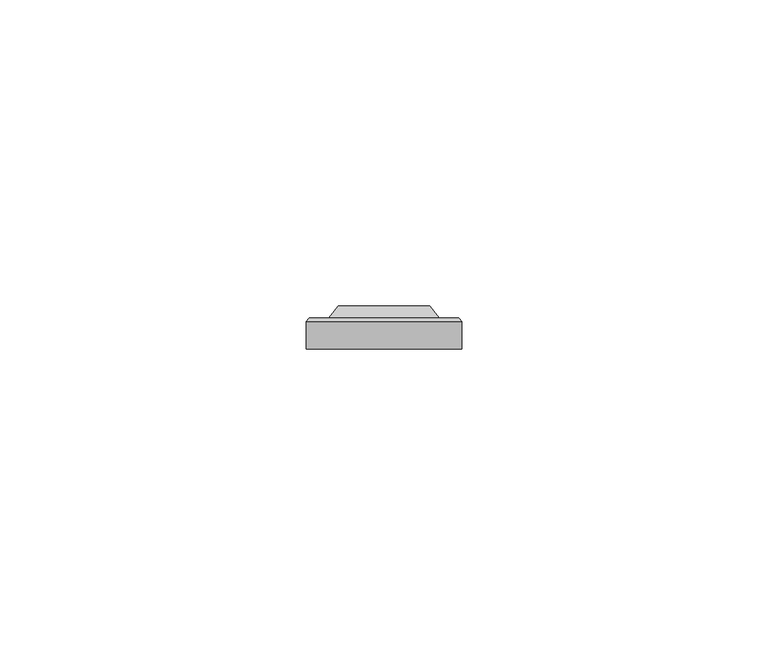
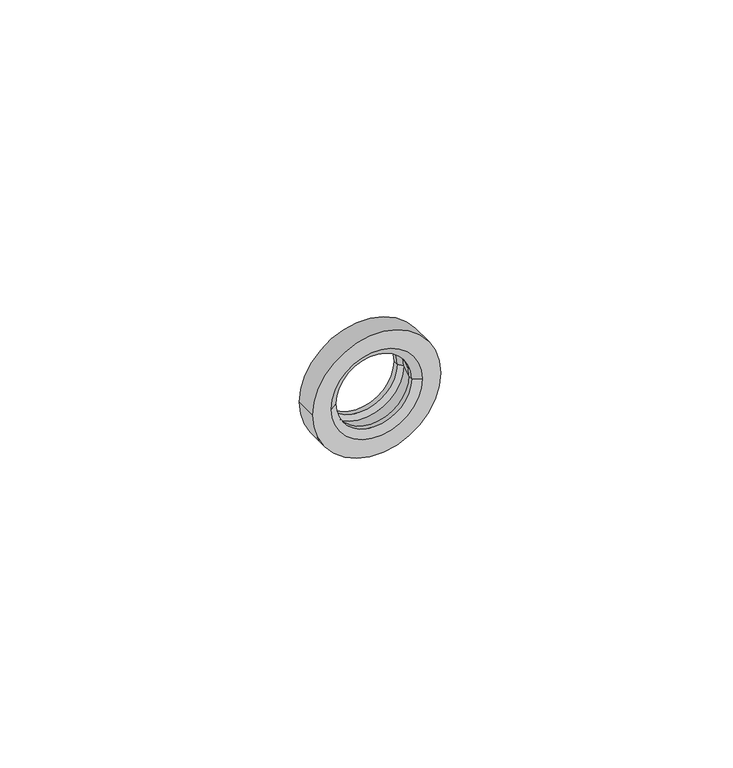
"""IFC4 building model written with IfcOpenShell, lengths in millimetres: proxy geometry."""

import ifcopenshell
import ifcopenshell.guid

model = None  # the IFC model being written
_history = None  # IfcOwnerHistory: only IFC2X3 demands one
_inside = {}  # id of a spatial element -> (the spatial element, [elements in it])
_under = {}  # id of a project, library or spatial element -> (it, [spatial elements below it])
_declared = {}  # id of a project -> (the project, [libraries it declares])
_typed = {}  # id of a type object -> (the type object, [elements of that type])
_made_of = {}  # id of a material, layer set ... -> (it, [elements and type objects made of it])


def new_model(schema):
    """Start an empty IFC model of exactly this schema.

    Asked for "IFC4X3", IfcOpenShell would pick the latest addendum, in which some entities
    have other attributes; the version numbers below select the first issue.
    IFC2X3 requires an IfcOwnerHistory on every rooted entity: one is made here for all.
    """
    global model, _history
    if schema == "IFC4X3":
        model = ifcopenshell.file(schema_version=(4, 3, 0, 0))
    else:
        model = ifcopenshell.file(schema=schema)
    _inside.clear()
    _under.clear()
    _declared.clear()
    _typed.clear()
    _made_of.clear()
    _history = None
    if model.schema == "IFC2X3":
        org = make("IfcOrganization", Name="unknown")
        user = make(
            "IfcPersonAndOrganization",
            ThePerson=make("IfcPerson", FamilyName="unknown"),
            TheOrganization=org,
        )
        app = make(
            "IfcApplication",
            ApplicationDeveloper=org,
            Version="unknown",
            ApplicationFullName="unknown",
            ApplicationIdentifier="unknown",
        )
        _history = make(
            "IfcOwnerHistory",
            OwningUser=user,
            OwningApplication=app,
            ChangeAction="ADDED",
            CreationDate=0,
        )
    return model


def make(cls, **values):
    """One entity of the class cls with the attributes given. An attribute that is None is left unset."""
    return model.create_entity(
        cls, **{name: value for name, value in values.items() if value is not None}
    )


def rooted(cls, **values):
    """An entity with a GlobalId (a new one), such as an element, a storey or a relation."""
    return make(cls, GlobalId=ifcopenshell.guid.new(), OwnerHistory=_history, **values)


def si_unit(unit_type, name, prefix=None):
    """IfcSIUnit, for example si_unit("LENGTHUNIT", "METRE", prefix="MILLI")."""
    return make("IfcSIUnit", UnitType=unit_type, Prefix=prefix, Name=name)


def assignment(units):
    """IfcUnitAssignment: the units of a project."""
    return None if units is None else make("IfcUnitAssignment", Units=units)


def point(xyz):
    """IfcCartesianPoint."""
    return None if xyz is None else make("IfcCartesianPoint", Coordinates=xyz)


def direction(xyz):
    """IfcDirection."""
    return None if xyz is None else make("IfcDirection", DirectionRatios=xyz)


def frame(location, z_axis=None, x_axis=None):
    """IfcAxis2Placement3D, a coordinate frame: its origin and axes. An axis left out is left unset."""
    return make(
        "IfcAxis2Placement3D",
        Location=point(location),
        Axis=direction(z_axis),
        RefDirection=direction(x_axis),
    )


def origin():
    """The frame at (0, 0, 0) with its axes left unset."""
    return frame((0.0, 0.0, 0.0))


def place(relative_to, where):
    """IfcLocalPlacement: puts the frame where relative to a parent placement (None: the world)."""
    return make(
        "IfcLocalPlacement", PlacementRelTo=relative_to, RelativePlacement=where
    )


def context(
    kind, dimensions, precision=None, world=None, true_north=None, identifier=None
):
    """IfcGeometricRepresentationContext, for example the 3D "Model" context."""
    return make(
        "IfcGeometricRepresentationContext",
        ContextIdentifier=identifier,
        ContextType=kind,
        CoordinateSpaceDimension=dimensions,
        Precision=precision,
        WorldCoordinateSystem=world,
        TrueNorth=true_north,
    )


def project(units=None, contexts=None):
    """IfcProject with its units and contexts."""
    return rooted(
        "IfcProject",
        Name="project",
        RepresentationContexts=contexts,
        UnitsInContext=assignment(units),
    )


def spatial(cls, under=None, at=None, **own):
    """A site, building, storey or space (cls), placed at a placement, below another one or the project."""
    s = rooted(cls, ObjectPlacement=at, **own)
    if under is not None:
        _under.setdefault(under.id(), (under, []))[1].append(s)
    return s


def polyline(points):
    """IfcPolyline through the points."""
    return make("IfcPolyline", Points=[point(p) for p in points])


def circle_curve(where, radius):
    """IfcCircle in the frame where."""
    return make("IfcCircle", Position=where, Radius=radius)


def shape(context_of_items, identifier, shape_type, items):
    """IfcShapeRepresentation: the items that make up one representation, for example the "Body"."""
    return make(
        "IfcShapeRepresentation",
        ContextOfItems=context_of_items,
        RepresentationIdentifier=identifier,
        RepresentationType=shape_type,
        Items=items,
    )


def source(mapping_origin, context_of_items, identifier, shape_type, items):
    """IfcRepresentationMap: a shape defined once, which mapped items show again and again."""
    return make(
        "IfcRepresentationMap",
        MappingOrigin=mapping_origin,
        MappedRepresentation=shape(context_of_items, identifier, shape_type, items),
    )


def transform(
    local_origin,
    x_axis=None,
    y_axis=None,
    z_axis=None,
    scale=None,
    scale2=None,
    scale3=None,
    uniform=True,
):
    """IfcCartesianTransformationOperator3D, or its non-uniform kind. x_axis, y_axis, z_axis: its Axis1, 2, 3."""
    if uniform:
        return make(
            "IfcCartesianTransformationOperator3D",
            Axis1=direction(x_axis),
            Axis2=direction(y_axis),
            LocalOrigin=point(local_origin),
            Scale=scale,
            Axis3=direction(z_axis),
        )
    return make(
        "IfcCartesianTransformationOperator3DnonUniform",
        Axis1=direction(x_axis),
        Axis2=direction(y_axis),
        LocalOrigin=point(local_origin),
        Scale=scale,
        Axis3=direction(z_axis),
        Scale2=scale2,
        Scale3=scale3,
    )


def mapped(mapping_source, mapping_target):
    """IfcMappedItem: shows the shape of a source again, moved by a transform."""
    return make(
        "IfcMappedItem", MappingSource=mapping_source, MappingTarget=mapping_target
    )


def made_of(thing, what):
    """Note that an element or type object is made of a material, layer set ...; save() writes the relation."""
    if what is not None:
        _made_of.setdefault(what.id(), (what, []))[1].append(thing)
    return thing


def element(
    cls,
    number,
    at=None,
    inside=None,
    cuts=None,
    type_object=None,
    material=None,
    context=None,
    identifier="Body",
    shape_type=None,
    held_by="IfcProductDefinitionShape",
    body=None,
    shapes=None,
    **own,
):
    """One element of the class cls, such as IfcWall. Its Tag is "e" and its number.

    at: its placement. inside: the storey or other place that contains it. cuts: it is an
    opening in that element (IfcRelVoidsElement). A single representation is given by context,
    identifier, shape_type and body (its items); several are given by shapes. held_by: the class
    of the entity that holds the representations. save() writes the other relations.
    """
    e = rooted(cls, Tag="e%d" % number, ObjectPlacement=at, **own)
    if body is not None:
        shapes = [shape(context, identifier, shape_type, body)]
    if shapes is not None:
        e.Representation = make(held_by, Representations=shapes)
    if inside is not None:
        _inside.setdefault(inside.id(), (inside, []))[1].append(e)
    if cuts is not None:
        rooted(
            "IfcRelVoidsElement", RelatingBuildingElement=cuts, RelatedOpeningElement=e
        )
    if type_object is not None:
        _typed.setdefault(type_object.id(), (type_object, []))[1].append(e)
    return made_of(e, material)


def aggregate(whole, parts):
    """IfcRelAggregates: a whole, such as a stair, and the parts it consists of."""
    return rooted("IfcRelAggregates", RelatingObject=whole, RelatedObjects=parts)


def save(model, path):
    """Write the relations noted so far, then the file.

    IfcRelAggregates (storeys below a building ...), IfcRelContainedInSpatialStructure (elements
    in a storey), IfcRelDefinesByType, IfcRelAssociatesMaterial and IfcRelDeclares: one each for
    every whole, place, type object, material and project.
    """
    for whole, parts in _under.values():
        aggregate(whole, parts)
    for where, things in _inside.values():
        rooted(
            "IfcRelContainedInSpatialStructure",
            RelatedElements=things,
            RelatingStructure=where,
        )
    for kind, things in _typed.values():
        rooted("IfcRelDefinesByType", RelatedObjects=things, RelatingType=kind)
    for what, things in _made_of.values():
        rooted("IfcRelAssociatesMaterial", RelatedObjects=things, RelatingMaterial=what)
    for by, libraries in _declared.values():
        rooted("IfcRelDeclares", RelatingContext=by, RelatedDefinitions=libraries)
    model.write(path)


def plane_surface(at):
    """IfcPlane: the flat surface through the origin of the frame at, square to its z axis."""
    return make("IfcPlane", Position=at)


def cylinder_surface(at, radius):
    """IfcCylindricalSurface: all points at the distance radius from the z axis of the frame at."""
    return make("IfcCylindricalSurface", Position=at, Radius=radius)


def revolved_surface(curve, axis_point, axis_direction):
    """IfcSurfaceOfRevolution: the curve turned about the line through axis_point along axis_direction."""
    return make(
        "IfcSurfaceOfRevolution",
        SweptCurve=make("IfcArbitraryOpenProfileDef", ProfileType="CURVE", Curve=curve),
        AxisPosition=make("IfcAxis1Placement", Location=point(axis_point), Axis=direction(axis_direction)),
    )


def advanced_brep(points, edges, surfaces, faces):
    """IfcAdvancedBrep: a solid bounded by faces that lie on surfaces and meet in shared edges.

    An edge is (start, end): straight between two places in points (the first is 0);
    or (start, end, curve); or (start, end, curve, False) where it runs against its curve.
    A face is (place in surfaces, loops), or (place, loops, False) where it looks against
    its surface's normal. A loop lists edges by number (the first is 1), with a minus sign
    where the edge is run from its end to its start. The first loop is the outer one.
    """
    corners = [point(p) for p in points]
    vertices = [make("IfcVertexPoint", VertexGeometry=c) for c in corners]
    made = []
    for start, end, *more in edges:
        made.append(
            make(
                "IfcEdgeCurve",
                EdgeStart=vertices[start],
                EdgeEnd=vertices[end],
                EdgeGeometry=more[0] if more else make("IfcPolyline", Points=[corners[start], corners[end]]),
                SameSense=more[1] if len(more) > 1 else True,
            )
        )
    hull = []
    for where, loops, *sense in faces:
        bounds = []
        for j, loop in enumerate(loops):
            ring = [make("IfcOrientedEdge", EdgeElement=made[abs(k) - 1], Orientation=k > 0) for k in loop]
            bounds.append(
                make(
                    "IfcFaceOuterBound" if j == 0 else "IfcFaceBound",
                    Bound=make("IfcEdgeLoop", EdgeList=ring),
                    Orientation=True,
                )
            )
        hull.append(make("IfcAdvancedFace", Bounds=bounds, FaceSurface=surfaces[where], SameSense=sense[0] if sense else True))
    return make("IfcAdvancedBrep", Outer=make("IfcClosedShell", CfsFaces=hull))


def generic_models_6de4c977(model_context):
    return source(origin(), model_context, "Body", "AdvancedBrep", [
        advanced_brep(
        [(-9.0, 0.0, 0.0), (-7.5, 1.0, 0.0), (7.5, 1.0, 0.0), (9.0, 0.0, 0.0), (-7.5, 2.0, 0.0), (7.5, 2.0, 0.0), (-8.25, 5.0, 0.0), (8.25, 5.0, 0.0), (-7.5, 6.0, 0.0), (7.5, 6.0, 0.0), (-7.5, 7.0, 0.0), (7.5, 7.0, 0.0), (-9.0, 5.0, 0.0), (9.0, 5.0, 0.0), (-12.7, 0.0, 0.0), (-12.7, 4.5, 0.0), (12.7, 4.5, 0.0), (12.7, 0.0, 0.0), (12.2, 5.0, 0.0), (-12.2, 5.0, 0.0)],
        [
            (0, 1),
            (1, 2, circle_curve(frame((0.0, 1.0, 0.0), z_axis=(0.0, 1.0, 0.0), x_axis=(-1.0, 0.0, 0.0)), 7.5)),
            (2, 3),
            (3, 0, circle_curve(frame((0.0, 0.0, 0.0), z_axis=(0.0, -1.0, 0.0), x_axis=(-1.0, 0.0, 0.0)), 9.0)),
            (1, 4),
            (4, 5, circle_curve(frame((0.0, 2.0, 0.0), z_axis=(0.0, 1.0, 0.0), x_axis=(-1.0, 0.0, 0.0)), 7.5)),
            (5, 2),
            (4, 6),
            (6, 7, circle_curve(frame((0.0, 5.0, 0.0), z_axis=(0.0, 1.0, 0.0), x_axis=(-1.0, 0.0, 0.0)), 8.25)),
            (7, 5),
            (6, 8),
            (8, 9, circle_curve(frame((0.0, 6.0, 0.0), z_axis=(0.0, 1.0, 0.0), x_axis=(-1.0, 0.0, 0.0)), 7.5)),
            (9, 7),
            (8, 10),
            (10, 11, circle_curve(frame((0.0, 7.0, 0.0), z_axis=(0.0, 1.0, 0.0), x_axis=(-1.0, 0.0, 0.0)), 7.5)),
            (11, 9),
            (12, 10),
            (10, 11, circle_curve(frame((0.0, 7.0, 0.0), z_axis=(0.0, -1.0, 0.0), x_axis=(1.0, 0.0, 0.0)), 7.5)),
            (11, 13),
            (13, 12, circle_curve(frame((0.0, 5.0, 0.0), z_axis=(0.0, 1.0, 0.0), x_axis=(1.0, 0.0, 0.0)), 9.0)),
            (14, 15),
            (15, 16, circle_curve(frame((0.0, 4.5, 0.0), z_axis=(0.0, -1.0, 0.0), x_axis=(-1.0, 0.0, 0.0)), 12.7)),
            (16, 17),
            (17, 14, circle_curve(frame((0.0, 0.0, 0.0), z_axis=(0.0, 1.0, 0.0), x_axis=(-1.0, 0.0, 0.0)), 12.7)),
            (16, 18),
            (18, 19, circle_curve(frame((0.0, 5.0, 0.0), z_axis=(0.0, -1.0, 0.0), x_axis=(-1.0, 0.0, 0.0)), 12.2)),
            (19, 15),
            (15, 16, circle_curve(frame((0.0, 4.5, 0.0), z_axis=(0.0, 1.0, 0.0), x_axis=(-1.0, 0.0, 0.0)), 12.7)),
            (19, 18, circle_curve(frame((0.0, 5.0, 0.0), z_axis=(0.0, -1.0, 0.0), x_axis=(1.0, 0.0, 0.0)), 12.2)),
            (14, 17, circle_curve(frame((0.0, 0.0, 0.0), z_axis=(0.0, 1.0, 0.0), x_axis=(-1.0, 0.0, 0.0)), 12.7)),
            (13, 12, circle_curve(frame((0.0, 5.0, 0.0), z_axis=(0.0, -1.0, 0.0), x_axis=(-1.0, 0.0, 0.0)), 9.0)),
            (8, 9, circle_curve(frame((0.0, 6.0, 0.0), z_axis=(0.0, -1.0, 0.0), x_axis=(-1.0, 0.0, 0.0)), 7.5)),
            (6, 7, circle_curve(frame((0.0, 5.0, 0.0), z_axis=(0.0, -1.0, 0.0), x_axis=(1.0, 0.0, 0.0)), 8.25)),
            (4, 5, circle_curve(frame((0.0, 2.0, 0.0), z_axis=(0.0, -1.0, 0.0), x_axis=(1.0, 0.0, 0.0)), 7.5)),
            (1, 2, circle_curve(frame((0.0, 1.0, 0.0), z_axis=(0.0, -1.0, 0.0), x_axis=(-1.0, 0.0, 0.0)), 7.5)),
            (0, 3, circle_curve(frame((0.0, 0.0, 0.0), z_axis=(0.0, -1.0, 0.0), x_axis=(1.0, 0.0, 0.0)), 9.0)),
        ],
        [
            revolved_surface(polyline([(-9.0, 0.0, 0.0), (-7.5, 1.0, 0.0)]), (0.0, 6.0, 0.0), (0.0, -1.0, 0.0)),
            revolved_surface(polyline([(-7.5, 2.0, 0.0), (-7.5, 1.0, 0.0)]), (0.0, 1.5, 0.0), (0.0, 1.0, 0.0)),
            revolved_surface(polyline([(-8.25, 5.0, 0.0), (-7.5, 2.0, 0.0)]), (0.0, -28.0, 0.0), (0.0, 1.0, 0.0)),
            revolved_surface(polyline([(-8.25, 5.0, 0.0), (-7.5, 6.0, 0.0)]), (0.0, 16.0, 0.0), (0.0, -1.0, 0.0)),
            revolved_surface(polyline([(-7.5, 7.0, 0.0), (-7.5, 6.0, 0.0)]), (0.0, 6.5, 0.0), (0.0, 1.0, 0.0)),
            revolved_surface(polyline([(-7.5, 7.0, 0.0), (-9.0, 5.0, 0.0)]), (0.0, 17.0, 0.0), (0.0, -1.0, 0.0)),
            cylinder_surface(frame((0.0, 2.5, 0.0), z_axis=(0.0, 1.0, 0.0), x_axis=(-1.0, 0.0, 0.0)), 12.7),
            revolved_surface(polyline([(12.2, 5.0, 0.0), (12.7, 4.5, 0.0)]), (0.0, 17.2, 0.0), (0.0, -1.0, 0.0)),
            plane_surface(frame((-10.85, 5.0, 0.0), z_axis=(0.0, 1.0, 0.0), x_axis=(0.0, 0.0, 1.0))),
            plane_surface(frame((-10.85, 0.0, 0.0), z_axis=(0.0, -1.0, 0.0), x_axis=(0.0, 0.0, -1.0))),
        ],
        [
            (0, [[1, 2, 3, 4]]),
            (1, [[5, 6, 7, -2]]),
            (2, [[8, 9, 10, -6]]),
            (3, [[11, 12, 13, -9]]),
            (4, [[14, 15, 16, -12]]),
            (5, [[17, 18, 19, 20]]),
            (6, [[21, 22, 23, 24]]),
            (7, [[25, 26, 27, 28]]),
            (7, [[-25, -22, -27, 29]]),
            (6, [[-21, 30, -23, -28]]),
            (8, [[-29, -26], [31, -20]]),
            (5, [[-17, -31, -19, -15]]),
            (4, [[-14, 32, -16, -18]]),
            (3, [[-11, 33, -13, -32]]),
            (2, [[-8, 34, -10, -33]]),
            (1, [[-5, 35, -7, -34]]),
            (0, [[-1, 36, -3, -35]]),
            (9, [[-30, -24], [-4, -36]]),
        ],
    ),
    ])


if __name__ == "__main__":
    model = new_model("IFC4")
    model_context = context("Model", 3, world=origin())
    ifc_project = project(units=[si_unit("LENGTHUNIT", "METRE", prefix="MILLI")], contexts=[model_context])
    site = spatial("IfcSite", under=ifc_project)
    building = spatial("IfcBuilding", under=site)
    placement = place(None, origin())
    generic_models_shape = generic_models_6de4c977(model_context)
    element("IfcBuildingElementProxy", 1, Name="Generic Models", at=placement, inside=building, context=model_context, shape_type="MappedRepresentation", body=[
        mapped(generic_models_shape, transform((0.0, 0.0, 0.0), x_axis=(1.0, 0.0, 0.0), y_axis=(0.0, 1.0, 0.0), z_axis=(0.0, 0.0, 1.0))),
    ])
    save(model, "model.ifc")
